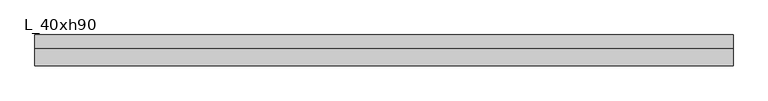
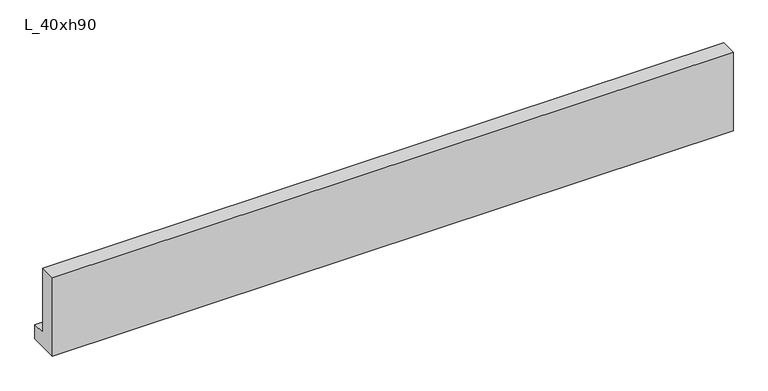
"""IFC4 building model written with IfcOpenShell, lengths in millimetres: beam geometry, L_40xh90."""

from ifc_helpers import new_model, si_unit, frame, origin, place, context, project, spatial, polyline, outline, extrude, source, transform, mapped, element, save


def l_40xh90_29184d4b(model_context):
    return source(origin(), model_context, "Body", "SweptSolid", [
        extrude(outline(polyline([(-115.0, -100.0), (-115.0, 1000.0), (105.0, 1000.0), (105.0, 100.0), (285.0, 100.0), (285.0, -100.0), (-115.0, -100.0)])), frame((-4515.0, 0.0, 0.0), z_axis=(1.0, 0.0, 0.0), x_axis=(0.0, 1.0, 0.0)), (0.0, 0.0, 1.0), 9030.0),
    ])


if __name__ == "__main__":
    model = new_model("IFC4")
    model_context = context("Model", 3, world=origin())
    ifc_project = project(units=[si_unit("LENGTHUNIT", "METRE", prefix="MILLI")], contexts=[model_context])
    site = spatial("IfcSite", under=ifc_project)
    building = spatial("IfcBuilding", under=site)
    placement = place(None, origin())
    l_40xh90_shape = l_40xh90_29184d4b(model_context)
    element("IfcBeam", 1, ObjectType="L_40xh90", at=placement, inside=building, context=model_context, shape_type="MappedRepresentation", body=[
        mapped(l_40xh90_shape, transform((0.0, 0.0, 0.0), x_axis=(1.0, 0.0, 0.0), y_axis=(0.0, 1.0, 0.0), z_axis=(0.0, 0.0, 1.0))),
    ])
    save(model, "model.ifc")
